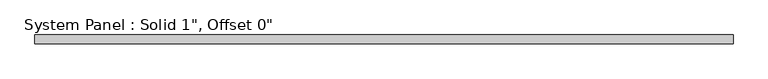
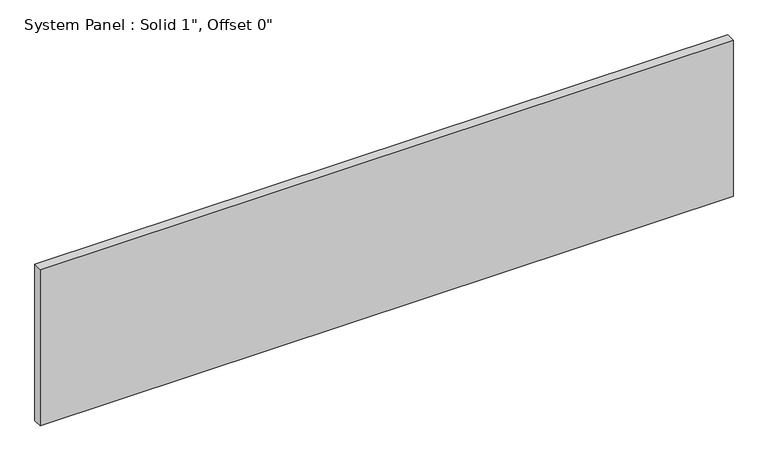
"""IFC4 building model written with IfcOpenShell, lengths in millimetres: plate geometry."""

from ifc_helpers import new_model, si_unit, origin, origin_with_axes, place, context, project, spatial, polyline, outline, extrude, source, transform, mapped, element, save


def plate_eaa6e23a(model_context):
    return source(origin(), model_context, "Body", "SweptSolid", [
        extrude(outline(polyline([(990.6, -12.7), (-990.6, -12.7), (-990.6, 12.7), (990.6, 12.7), (990.6, -12.7)])), origin_with_axes(), (0.0, 0.0, 1.0), 472.9023036),
    ])


if __name__ == "__main__":
    model = new_model("IFC4")
    model_context = context("Model", 3, world=origin())
    ifc_project = project(units=[si_unit("LENGTHUNIT", "METRE", prefix="MILLI")], contexts=[model_context])
    site = spatial("IfcSite", under=ifc_project)
    building = spatial("IfcBuilding", under=site)
    placement = place(None, origin())
    plate_shape = plate_eaa6e23a(model_context)
    element("IfcPlate", 1, ObjectType="System Panel : Solid 1\", Offset 0\"", at=placement, inside=building, context=model_context, shape_type="MappedRepresentation", body=[
        mapped(plate_shape, transform((0.0, 0.0, 0.0), x_axis=(1.0, 0.0, 0.0), y_axis=(0.0, 1.0, 0.0), z_axis=(0.0, 0.0, 1.0))),
    ])
    save(model, "model.ifc")
